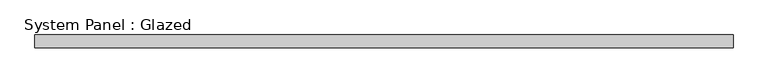
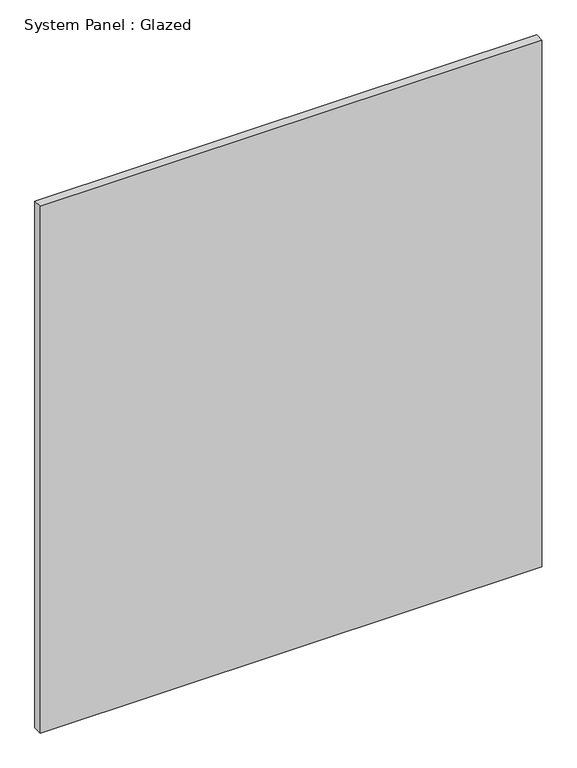
"""IFC4 building model written with IfcOpenShell, lengths in millimetres: plate geometry, System Panel : Glazed."""

from ifc_helpers import new_model, si_unit, origin, origin_with_axes, place, context, project, spatial, polyline, outline, extrude, source, transform, mapped, element, save


def system_panel_glazed_9e43f0dc(model_context):
    return source(origin(), model_context, "Body", "SweptSolid", [
        extrude(outline(polyline([(686.5369108, 19.05), (-686.5369108, 19.05), (-686.5369108, 44.45), (686.5369108, 44.45), (686.5369108, 19.05)])), origin_with_axes(), (0.0, 0.0, 1.0), 1524.0),
    ])


if __name__ == "__main__":
    model = new_model("IFC4")
    model_context = context("Model", 3, world=origin())
    ifc_project = project(units=[si_unit("LENGTHUNIT", "METRE", prefix="MILLI")], contexts=[model_context])
    site = spatial("IfcSite", under=ifc_project)
    building = spatial("IfcBuilding", under=site)
    placement = place(None, origin())
    system_panel_glazed_shape = system_panel_glazed_9e43f0dc(model_context)
    element("IfcPlate", 1, ObjectType="System Panel : Glazed", at=placement, inside=building, context=model_context, shape_type="MappedRepresentation", body=[
        mapped(system_panel_glazed_shape, transform((0.0, 0.0, 0.0), x_axis=(1.0, 0.0, 0.0), y_axis=(0.0, 1.0, 0.0), z_axis=(0.0, 0.0, 1.0))),
    ])
    save(model, "model.ifc")
